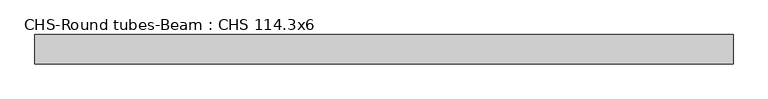
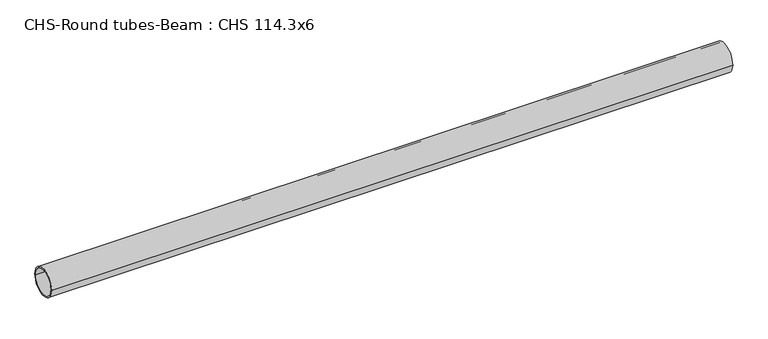
"""IFC4 building model written with IfcOpenShell, lengths in millimetres: beam geometry, CHS-Round tubes-Beam : CHS 114.3x6."""

from ifc_helpers import new_model, si_unit, point, frame, origin, origin_2d, place, context, project, spatial, circle_curve, trimmed, segment, composite_curve, outline, extrude, source, transform, mapped, element, save


def chs_round_tubes_beam_chs_114_3x6_1efdce23(model_context):
    return source(origin(), model_context, "Body", "SweptSolid", [
        extrude(outline(composite_curve([segment(trimmed(circle_curve(origin_2d(), 57.15), [point((57.15, 0.0))], [point((-57.15, 0.0))], False, "CARTESIAN"), True, "CONTINUOUS"), segment(trimmed(circle_curve(origin_2d(), 57.15), [point((-57.15, 0.0))], [point((57.15, 0.0))], False, "CARTESIAN"), True, "CONTINUOUS")], self_intersect=False), holes=[composite_curve([segment(trimmed(circle_curve(origin_2d(), 51.15), [point((51.15, 0.0))], [point((-51.15, 0.0))], True, "CARTESIAN"), True, "CONTINUOUS"), segment(trimmed(circle_curve(origin_2d(), 51.15), [point((-51.15, 0.0))], [point((51.15, 0.0))], True, "CARTESIAN"), True, "CONTINUOUS")], self_intersect=False)]), frame((-1312.5506081, 0.0, 0.0), z_axis=(1.0, 0.0, 0.0), x_axis=(0.0, 1.0, 0.0)), (0.0, 0.0, 1.0), 2706.7023918),
    ])


if __name__ == "__main__":
    model = new_model("IFC4")
    model_context = context("Model", 3, world=origin())
    ifc_project = project(units=[si_unit("LENGTHUNIT", "METRE", prefix="MILLI")], contexts=[model_context])
    site = spatial("IfcSite", under=ifc_project)
    building = spatial("IfcBuilding", under=site)
    placement = place(None, origin())
    chs_round_tubes_beam_chs_114_3x6_shape = chs_round_tubes_beam_chs_114_3x6_1efdce23(model_context)
    element("IfcBeam", 1, ObjectType="CHS-Round tubes-Beam : CHS 114.3x6", at=placement, inside=building, context=model_context, shape_type="MappedRepresentation", body=[
        mapped(chs_round_tubes_beam_chs_114_3x6_shape, transform((0.0, 0.0, 0.0), x_axis=(1.0, 0.0, 0.0), y_axis=(0.0, 1.0, 0.0), z_axis=(0.0, 0.0, 1.0))),
    ])
    save(model, "model.ifc")
